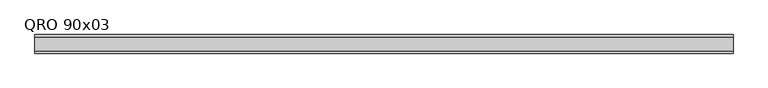
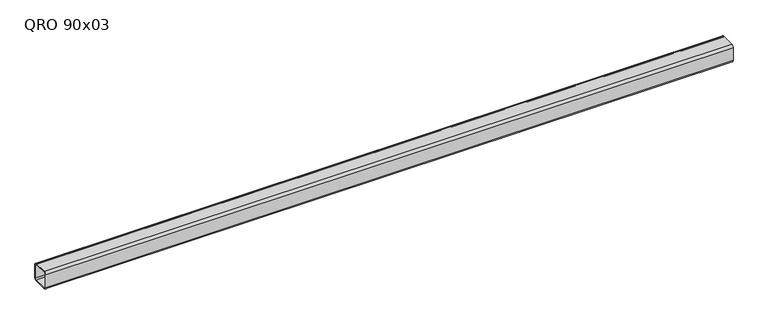
"""IFC4 building model written with IfcOpenShell, lengths in millimetres: beam geometry, QRO 90x03."""

from ifc_helpers import new_model, si_unit, point, frame, frame_2d, origin, place, context, project, spatial, polyline, circle_curve, trimmed, segment, composite_curve, outline, extrude, source, transform, mapped, element, save


def qro_90x03_f07932cc(model_context):
    return source(origin(), model_context, "Body", "SweptSolid", [
        extrude(outline(composite_curve([segment(polyline([(45.0, 33.0), (45.0, -33.0)]), True, "CONTINUOUS"), segment(trimmed(circle_curve(frame_2d((33.0, -33.0)), 12.0), [point((45.0, -33.0))], [point((33.0, -45.0))], False, "CARTESIAN"), True, "CONTINUOUS"), segment(polyline([(33.0, -45.0), (-33.0, -45.0)]), True, "CONTINUOUS"), segment(trimmed(circle_curve(frame_2d((-33.0, -33.0)), 12.0), [point((-33.0, -45.0))], [point((-45.0, -33.0))], False, "CARTESIAN"), True, "CONTINUOUS"), segment(polyline([(-45.0, -33.0), (-45.0, 33.0)]), True, "CONTINUOUS"), segment(trimmed(circle_curve(frame_2d((-33.0, 33.0)), 12.0), [point((-45.0, 33.0))], [point((-33.0, 45.0))], False, "CARTESIAN"), True, "CONTINUOUS"), segment(polyline([(-33.0, 45.0), (33.0, 45.0)]), True, "CONTINUOUS"), segment(trimmed(circle_curve(frame_2d((33.0, 33.0)), 12.0), [point((33.0, 45.0))], [point((45.0, 33.0))], False, "CARTESIAN"), True, "CONTINUOUS")], self_intersect=False), holes=[composite_curve([segment(trimmed(circle_curve(frame_2d((-33.0, 33.0)), 6.0), [point((-33.0, 39.0))], [point((-39.0, 33.0))], True, "CARTESIAN"), True, "CONTINUOUS"), segment(polyline([(-39.0, 33.0), (-39.0, -33.0)]), True, "CONTINUOUS"), segment(trimmed(circle_curve(frame_2d((-33.0, -33.0)), 6.0), [point((-39.0, -33.0))], [point((-33.0, -39.0))], True, "CARTESIAN"), True, "CONTINUOUS"), segment(polyline([(-33.0, -39.0), (33.0, -39.0)]), True, "CONTINUOUS"), segment(trimmed(circle_curve(frame_2d((33.0, -33.0)), 6.0), [point((33.0, -39.0))], [point((39.0, -33.0))], True, "CARTESIAN"), True, "CONTINUOUS"), segment(polyline([(39.0, -33.0), (39.0, 33.0)]), True, "CONTINUOUS"), segment(trimmed(circle_curve(frame_2d((33.0, 33.0)), 6.0), [point((39.0, 33.0))], [point((33.0, 39.0))], True, "CARTESIAN"), True, "CONTINUOUS"), segment(polyline([(33.0, 39.0), (-33.0, 39.0)]), True, "CONTINUOUS")], self_intersect=False)]), frame((-1657.7529142, 0.0, 0.0), z_axis=(1.0, 0.0, 0.0), x_axis=(0.0, 1.0, 0.0)), (0.0, 0.0, 1.0), 3379.450604),
    ])


if __name__ == "__main__":
    model = new_model("IFC4")
    model_context = context("Model", 3, world=origin())
    ifc_project = project(units=[si_unit("LENGTHUNIT", "METRE", prefix="MILLI")], contexts=[model_context])
    site = spatial("IfcSite", under=ifc_project)
    building = spatial("IfcBuilding", under=site)
    placement = place(None, origin())
    qro_90x03_shape = qro_90x03_f07932cc(model_context)
    element("IfcBeam", 1, ObjectType="QRO 90x03", at=placement, inside=building, context=model_context, shape_type="MappedRepresentation", body=[
        mapped(qro_90x03_shape, transform((0.0, 0.0, 0.0), x_axis=(1.0, 0.0, 0.0), y_axis=(0.0, 1.0, 0.0), z_axis=(0.0, 0.0, 1.0))),
    ])
    save(model, "model.ifc")
